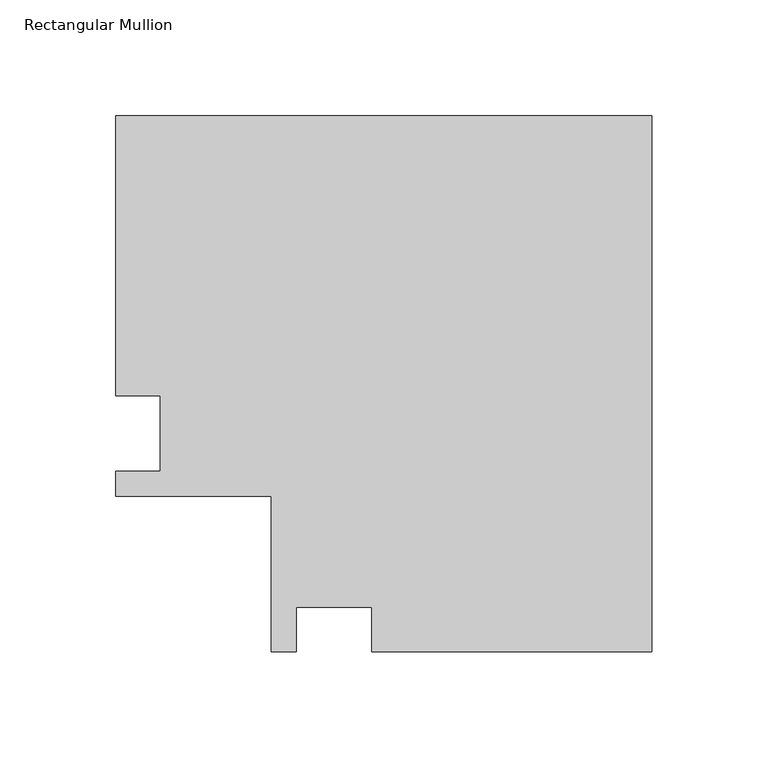
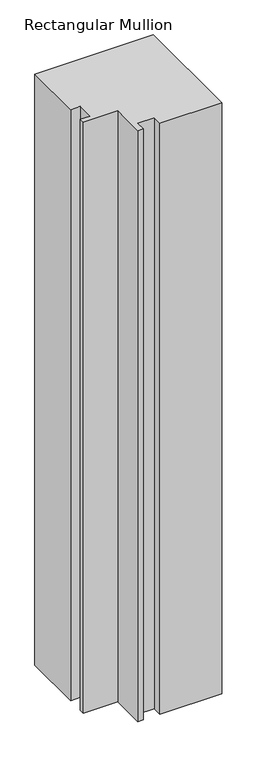
"""IFC4 building model written with IfcOpenShell, lengths in millimetres: member geometry, Rectangular Mullion."""

from ifc_helpers import new_model, si_unit, frame, origin, place, context, project, spatial, polyline, outline, extrude, source, transform, mapped, element, save


def rectangular_mullion_81a6e7f8(model_context):
    return source(origin(), model_context, "Body", "SweptSolid", [
        extrude(outline(polyline([(-231.14, 152.4), (0.0, 152.4), (0.0, -78.74), (-120.65, -78.74), (-120.65, -59.69), (-153.416, -59.69), (-153.416, -78.74), (-164.084, -78.74), (-164.084, -11.684), (-231.14, -11.684), (-231.14, -1.016), (-212.09, -1.016), (-212.09, 31.75), (-231.14, 31.75), (-231.14, 152.4)])), frame((0.0, 0.0, -1219.2), z_axis=(0.0, 0.0, 1.0), x_axis=(1.0, 0.0, 0.0)), (0.0, 0.0, 1.0), 1219.2),
    ])


if __name__ == "__main__":
    model = new_model("IFC4")
    model_context = context("Model", 3, world=origin())
    ifc_project = project(units=[si_unit("LENGTHUNIT", "METRE", prefix="MILLI")], contexts=[model_context])
    site = spatial("IfcSite", under=ifc_project)
    building = spatial("IfcBuilding", under=site)
    placement = place(None, origin())
    rectangular_mullion_shape = rectangular_mullion_81a6e7f8(model_context)
    element("IfcMember", 1, ObjectType="Rectangular Mullion", at=placement, inside=building, context=model_context, shape_type="MappedRepresentation", body=[
        mapped(rectangular_mullion_shape, transform((0.0, 0.0, 0.0), x_axis=(1.0, 0.0, 0.0), y_axis=(0.0, 1.0, 0.0), z_axis=(0.0, 0.0, 1.0))),
    ])
    save(model, "model.ifc")
